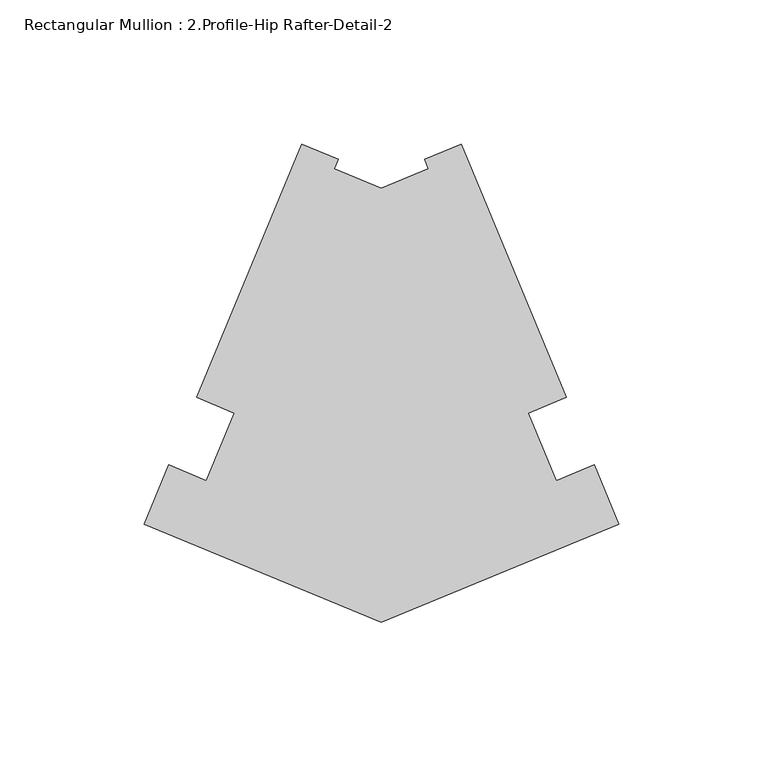
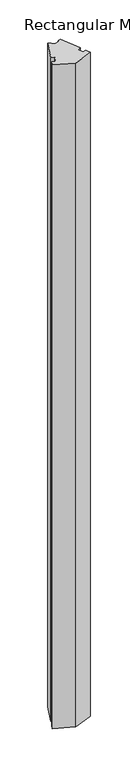
"""IFC4 building model written with IfcOpenShell, lengths in millimetres: member geometry, Rectangular Mullion : 2.Profile-Hip Rafter-Detail-2."""

from ifc_helpers import new_model, si_unit, frame, origin, place, context, project, spatial, polyline, outline, extrude, source, transform, mapped, element, save


def rectangular_mullion_2_profile_hip_rafter_detail_2_344efe10(model_context):
    return source(origin(), model_context, "Body", "SweptSolid", [
        extrude(outline(polyline([(-146.6001391, 77.6273855), (-110.1495227, 165.6269579), (-97.3933541, 160.3431798), (-98.759591, 157.0447921), (-82.4477004, 150.2881859), (-66.1277152, 157.0481451), (-67.4939521, 160.3465327), (-54.7458781, 165.6269579), (-18.2952618, 77.6273855), (-31.4102652, 72.1949732), (-21.6900898, 48.7284398), (-8.508314, 54.1885552), (0.0, 33.6476681), (-82.4473481, -0.5034236), (-164.8953973, 33.6476765), (-156.3822038, 54.2003438), (-143.2003959, 48.7402602), (-133.4851357, 72.1949732), (-146.6001391, 77.6273855)])), frame((0.0, 0.0, -3048.0), z_axis=(0.0, 0.0, 1.0), x_axis=(1.0, 0.0, 0.0)), (0.0, 0.0, 1.0), 3048.0),
    ])


if __name__ == "__main__":
    model = new_model("IFC4")
    model_context = context("Model", 3, world=origin())
    ifc_project = project(units=[si_unit("LENGTHUNIT", "METRE", prefix="MILLI")], contexts=[model_context])
    site = spatial("IfcSite", under=ifc_project)
    building = spatial("IfcBuilding", under=site)
    placement = place(None, origin())
    rectangular_mullion_2_profile_hip_rafter_detail_2_shape = rectangular_mullion_2_profile_hip_rafter_detail_2_344efe10(model_context)
    element("IfcMember", 1, ObjectType="Rectangular Mullion : 2.Profile-Hip Rafter-Detail-2", at=placement, inside=building, context=model_context, shape_type="MappedRepresentation", body=[
        mapped(rectangular_mullion_2_profile_hip_rafter_detail_2_shape, transform((0.0, 0.0, 0.0), x_axis=(1.0, 0.0, 0.0), y_axis=(0.0, 1.0, 0.0), z_axis=(0.0, 0.0, 1.0))),
    ])
    save(model, "model.ifc")
